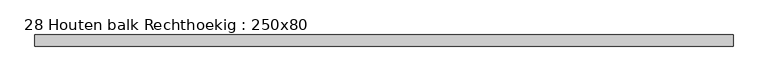
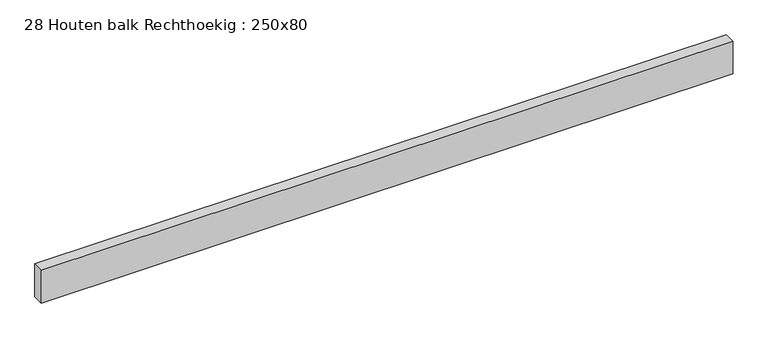
"""IFC4 building model written with IfcOpenShell, lengths in millimetres: beam geometry, 28 Houten balk Rechthoekig : 250x80."""

from ifc_helpers import new_model, si_unit, frame, origin, place, context, project, spatial, polyline, outline, extrude, source, transform, mapped, element, save


def beam_28_houten_balk_rechthoekig_250x80_645a1daf(model_context):
    return source(origin(), model_context, "Body", "SweptSolid", [
        extrude(outline(polyline([(3061.686198, 40.0), (3061.686198, -40.0), (-1940.810418, -40.0), (-1940.810418, 40.0), (3061.686198, 40.0)])), frame((0.0, 0.0, -125.0), z_axis=(0.0, 0.0, 1.0), x_axis=(1.0, 0.0, 0.0)), (0.0, 0.0, 1.0), 250.0),
    ])


if __name__ == "__main__":
    model = new_model("IFC4")
    model_context = context("Model", 3, world=origin())
    ifc_project = project(units=[si_unit("LENGTHUNIT", "METRE", prefix="MILLI")], contexts=[model_context])
    site = spatial("IfcSite", under=ifc_project)
    building = spatial("IfcBuilding", under=site)
    placement = place(None, origin())
    beam_28_houten_balk_rechthoekig_250x80_shape = beam_28_houten_balk_rechthoekig_250x80_645a1daf(model_context)
    element("IfcBeam", 1, ObjectType="28 Houten balk Rechthoekig : 250x80", at=placement, inside=building, context=model_context, shape_type="MappedRepresentation", body=[
        mapped(beam_28_houten_balk_rechthoekig_250x80_shape, transform((0.0, 0.0, 0.0), x_axis=(1.0, 0.0, 0.0), y_axis=(0.0, 1.0, 0.0), z_axis=(0.0, 0.0, 1.0))),
    ])
    save(model, "model.ifc")
